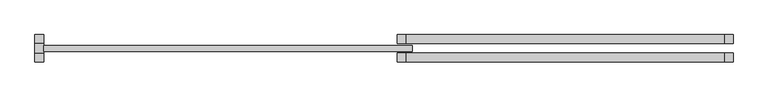
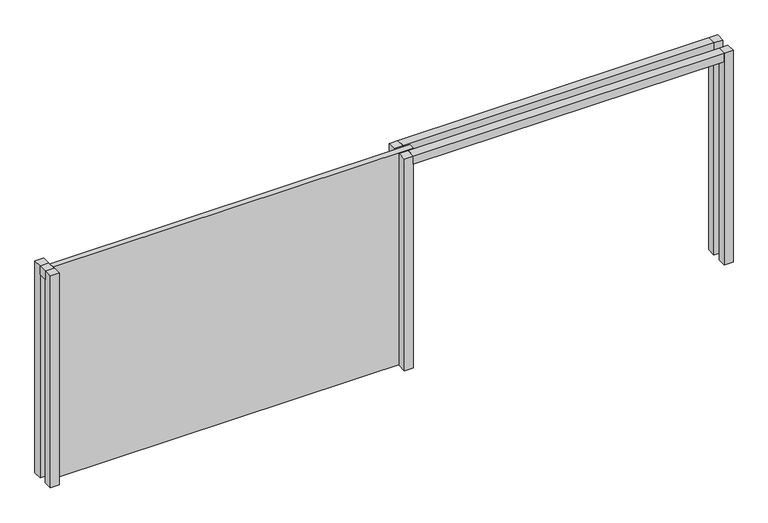
"""IFC4 building model written with IfcOpenShell, lengths in millimetres: proxy geometry."""

from ifc_helpers import new_model, si_unit, frame, origin, origin_with_axes, place, context, project, spatial, polyline, outline, extrude, source, transform, mapped, element, save


def generic_models_c9a3bdbe(model_context):
    return source(origin(), model_context, "Body", "SweptSolid", [
        extrude(outline(polyline([(4640.0, -60.0), (8841.6271873, -60.0), (8841.6271873, -180.0), (4640.0, -180.0), (4640.0, -60.0)])), frame((0.0, 0.0, 2910.0), z_axis=(0.0, 0.0, 1.0), x_axis=(1.0, 0.0, 0.0)), (0.0, 0.0, 1.0), 120.0),
        extrude(outline(polyline([(4640.0, 180.0), (8841.6271873, 180.0), (8841.6271873, 60.0), (4640.0, 60.0), (4640.0, 180.0)])), frame((0.0, 0.0, 2910.0), z_axis=(0.0, 0.0, 1.0), x_axis=(1.0, 0.0, 0.0)), (0.0, 0.0, 1.0), 120.0),
        extrude(outline(polyline([(8961.6271873, -60.0), (8961.6271873, -180.0), (8841.6271873, -180.0), (8841.6271873, -60.0), (8961.6271873, -60.0)])), origin_with_axes(), (0.0, 0.0, 1.0), 3030.0),
        extrude(outline(polyline([(8961.6271873, 180.0), (8961.6271873, 60.0), (8841.6271873, 60.0), (8841.6271873, 180.0), (8961.6271873, 180.0)])), origin_with_axes(), (0.0, 0.0, 1.0), 3030.0),
        extrude(outline(polyline([(4640.0, -60.0), (4640.0, -180.0), (4520.0, -180.0), (4520.0, -60.0), (4640.0, -60.0)])), origin_with_axes(), (0.0, 0.0, 1.0), 3030.0),
        extrude(outline(polyline([(4640.0, 180.0), (4640.0, 60.0), (4520.0, 60.0), (4520.0, 180.0), (4640.0, 180.0)])), origin_with_axes(), (0.0, 0.0, 1.0), 3030.0),
        extrude(outline(polyline([(4720.0, 40.0), (4720.0, -40.0), (-146.2932558, -40.0), (-146.2932558, 40.0), (4720.0, 40.0)])), origin_with_axes(), (0.0, 0.0, 1.0), 3030.0),
        extrude(outline(polyline([(-146.2932558, -60.0), (-266.2932558, -60.0), (-266.2932558, 60.0), (-146.2932558, 60.0), (-146.2932558, -60.0)])), frame((0.0, 0.0, 2910.0), z_axis=(0.0, 0.0, 1.0), x_axis=(1.0, 0.0, 0.0)), (0.0, 0.0, 1.0), 120.0),
        extrude(outline(polyline([(-146.2932558, -60.0), (-146.2932558, -180.0), (-266.2932558, -180.0), (-266.2932558, -60.0), (-146.2932558, -60.0)])), origin_with_axes(), (0.0, 0.0, 1.0), 3030.0),
        extrude(outline(polyline([(-146.2932558, 180.0), (-146.2932558, 60.0), (-266.2932558, 60.0), (-266.2932558, 180.0), (-146.2932558, 180.0)])), origin_with_axes(), (0.0, 0.0, 1.0), 3030.0),
    ])


if __name__ == "__main__":
    model = new_model("IFC4")
    model_context = context("Model", 3, world=origin())
    ifc_project = project(units=[si_unit("LENGTHUNIT", "METRE", prefix="MILLI")], contexts=[model_context])
    site = spatial("IfcSite", under=ifc_project)
    building = spatial("IfcBuilding", under=site)
    placement = place(None, origin())
    generic_models_shape = generic_models_c9a3bdbe(model_context)
    element("IfcBuildingElementProxy", 1, Name="Generic Models", at=placement, inside=building, context=model_context, shape_type="MappedRepresentation", body=[
        mapped(generic_models_shape, transform((0.0, 0.0, 0.0), x_axis=(1.0, 0.0, 0.0), y_axis=(0.0, 1.0, 0.0), z_axis=(0.0, 0.0, 1.0))),
    ])
    save(model, "model.ifc")
